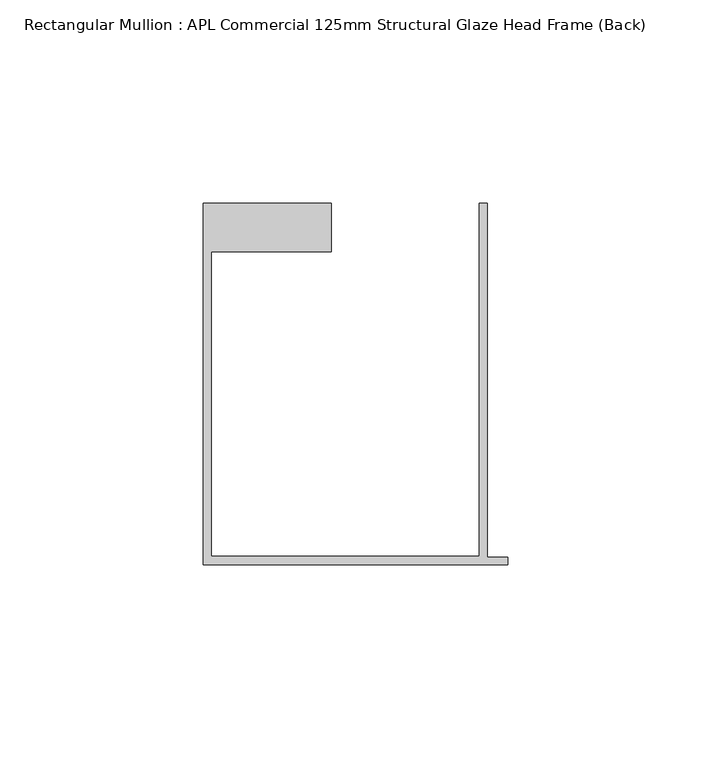
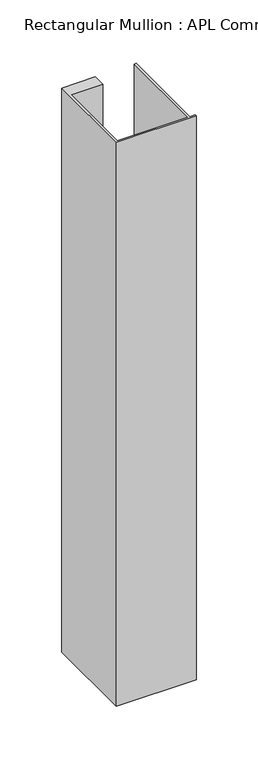
"""IFC4 building model written with IfcOpenShell, lengths in millimetres: member geometry, Rectangular Mullion : APL Commercial 125mm Structural Glaze Head Frame (Back)."""

import ifcopenshell
import ifcopenshell.guid

model = None  # the IFC model being written
_history = None  # IfcOwnerHistory: only IFC2X3 demands one
_inside = {}  # id of a spatial element -> (the spatial element, [elements in it])
_under = {}  # id of a project, library or spatial element -> (it, [spatial elements below it])
_declared = {}  # id of a project -> (the project, [libraries it declares])
_typed = {}  # id of a type object -> (the type object, [elements of that type])
_made_of = {}  # id of a material, layer set ... -> (it, [elements and type objects made of it])


def new_model(schema):
    """Start an empty IFC model of exactly this schema.

    Asked for "IFC4X3", IfcOpenShell would pick the latest addendum, in which some entities
    have other attributes; the version numbers below select the first issue.
    IFC2X3 requires an IfcOwnerHistory on every rooted entity: one is made here for all.
    """
    global model, _history
    if schema == "IFC4X3":
        model = ifcopenshell.file(schema_version=(4, 3, 0, 0))
    else:
        model = ifcopenshell.file(schema=schema)
    _inside.clear()
    _under.clear()
    _declared.clear()
    _typed.clear()
    _made_of.clear()
    _history = None
    if model.schema == "IFC2X3":
        org = make("IfcOrganization", Name="unknown")
        user = make(
            "IfcPersonAndOrganization",
            ThePerson=make("IfcPerson", FamilyName="unknown"),
            TheOrganization=org,
        )
        app = make(
            "IfcApplication",
            ApplicationDeveloper=org,
            Version="unknown",
            ApplicationFullName="unknown",
            ApplicationIdentifier="unknown",
        )
        _history = make(
            "IfcOwnerHistory",
            OwningUser=user,
            OwningApplication=app,
            ChangeAction="ADDED",
            CreationDate=0,
        )
    return model


def make(cls, **values):
    """One entity of the class cls with the attributes given. An attribute that is None is left unset."""
    return model.create_entity(
        cls, **{name: value for name, value in values.items() if value is not None}
    )


def rooted(cls, **values):
    """An entity with a GlobalId (a new one), such as an element, a storey or a relation."""
    return make(cls, GlobalId=ifcopenshell.guid.new(), OwnerHistory=_history, **values)


def si_unit(unit_type, name, prefix=None):
    """IfcSIUnit, for example si_unit("LENGTHUNIT", "METRE", prefix="MILLI")."""
    return make("IfcSIUnit", UnitType=unit_type, Prefix=prefix, Name=name)


def assignment(units):
    """IfcUnitAssignment: the units of a project."""
    return None if units is None else make("IfcUnitAssignment", Units=units)


def point(xyz):
    """IfcCartesianPoint."""
    return None if xyz is None else make("IfcCartesianPoint", Coordinates=xyz)


def direction(xyz):
    """IfcDirection."""
    return None if xyz is None else make("IfcDirection", DirectionRatios=xyz)


def frame(location, z_axis=None, x_axis=None):
    """IfcAxis2Placement3D, a coordinate frame: its origin and axes. An axis left out is left unset."""
    return make(
        "IfcAxis2Placement3D",
        Location=point(location),
        Axis=direction(z_axis),
        RefDirection=direction(x_axis),
    )


def origin():
    """The frame at (0, 0, 0) with its axes left unset."""
    return frame((0.0, 0.0, 0.0))


def place(relative_to, where):
    """IfcLocalPlacement: puts the frame where relative to a parent placement (None: the world)."""
    return make(
        "IfcLocalPlacement", PlacementRelTo=relative_to, RelativePlacement=where
    )


def context(
    kind, dimensions, precision=None, world=None, true_north=None, identifier=None
):
    """IfcGeometricRepresentationContext, for example the 3D "Model" context."""
    return make(
        "IfcGeometricRepresentationContext",
        ContextIdentifier=identifier,
        ContextType=kind,
        CoordinateSpaceDimension=dimensions,
        Precision=precision,
        WorldCoordinateSystem=world,
        TrueNorth=true_north,
    )


def project(units=None, contexts=None):
    """IfcProject with its units and contexts."""
    return rooted(
        "IfcProject",
        Name="project",
        RepresentationContexts=contexts,
        UnitsInContext=assignment(units),
    )


def spatial(cls, under=None, at=None, **own):
    """A site, building, storey or space (cls), placed at a placement, below another one or the project."""
    s = rooted(cls, ObjectPlacement=at, **own)
    if under is not None:
        _under.setdefault(under.id(), (under, []))[1].append(s)
    return s


def polyline(points):
    """IfcPolyline through the points."""
    return make("IfcPolyline", Points=[point(p) for p in points])


def outline(outer, holes=None, kind="AREA"):
    """IfcArbitraryClosedProfileDef: a profile drawn as a closed curve; with holes, ...WithVoids."""
    if holes is None:
        return make("IfcArbitraryClosedProfileDef", ProfileType=kind, OuterCurve=outer)
    return make(
        "IfcArbitraryProfileDefWithVoids",
        ProfileType=kind,
        OuterCurve=outer,
        InnerCurves=holes,
    )


def extrude(swept, where, along, depth):
    """IfcExtrudedAreaSolid: the profile swept, set in the frame where, extruded along a direction by depth."""
    return make(
        "IfcExtrudedAreaSolid",
        SweptArea=swept,
        Position=where,
        ExtrudedDirection=direction(along),
        Depth=depth,
    )


def shape(context_of_items, identifier, shape_type, items):
    """IfcShapeRepresentation: the items that make up one representation, for example the "Body"."""
    return make(
        "IfcShapeRepresentation",
        ContextOfItems=context_of_items,
        RepresentationIdentifier=identifier,
        RepresentationType=shape_type,
        Items=items,
    )


def source(mapping_origin, context_of_items, identifier, shape_type, items):
    """IfcRepresentationMap: a shape defined once, which mapped items show again and again."""
    return make(
        "IfcRepresentationMap",
        MappingOrigin=mapping_origin,
        MappedRepresentation=shape(context_of_items, identifier, shape_type, items),
    )


def transform(
    local_origin,
    x_axis=None,
    y_axis=None,
    z_axis=None,
    scale=None,
    scale2=None,
    scale3=None,
    uniform=True,
):
    """IfcCartesianTransformationOperator3D, or its non-uniform kind. x_axis, y_axis, z_axis: its Axis1, 2, 3."""
    if uniform:
        return make(
            "IfcCartesianTransformationOperator3D",
            Axis1=direction(x_axis),
            Axis2=direction(y_axis),
            LocalOrigin=point(local_origin),
            Scale=scale,
            Axis3=direction(z_axis),
        )
    return make(
        "IfcCartesianTransformationOperator3DnonUniform",
        Axis1=direction(x_axis),
        Axis2=direction(y_axis),
        LocalOrigin=point(local_origin),
        Scale=scale,
        Axis3=direction(z_axis),
        Scale2=scale2,
        Scale3=scale3,
    )


def mapped(mapping_source, mapping_target):
    """IfcMappedItem: shows the shape of a source again, moved by a transform."""
    return make(
        "IfcMappedItem", MappingSource=mapping_source, MappingTarget=mapping_target
    )


def made_of(thing, what):
    """Note that an element or type object is made of a material, layer set ...; save() writes the relation."""
    if what is not None:
        _made_of.setdefault(what.id(), (what, []))[1].append(thing)
    return thing


def element(
    cls,
    number,
    at=None,
    inside=None,
    cuts=None,
    type_object=None,
    material=None,
    context=None,
    identifier="Body",
    shape_type=None,
    held_by="IfcProductDefinitionShape",
    body=None,
    shapes=None,
    **own,
):
    """One element of the class cls, such as IfcWall. Its Tag is "e" and its number.

    at: its placement. inside: the storey or other place that contains it. cuts: it is an
    opening in that element (IfcRelVoidsElement). A single representation is given by context,
    identifier, shape_type and body (its items); several are given by shapes. held_by: the class
    of the entity that holds the representations. save() writes the other relations.
    """
    e = rooted(cls, Tag="e%d" % number, ObjectPlacement=at, **own)
    if body is not None:
        shapes = [shape(context, identifier, shape_type, body)]
    if shapes is not None:
        e.Representation = make(held_by, Representations=shapes)
    if inside is not None:
        _inside.setdefault(inside.id(), (inside, []))[1].append(e)
    if cuts is not None:
        rooted(
            "IfcRelVoidsElement", RelatingBuildingElement=cuts, RelatedOpeningElement=e
        )
    if type_object is not None:
        _typed.setdefault(type_object.id(), (type_object, []))[1].append(e)
    return made_of(e, material)


def aggregate(whole, parts):
    """IfcRelAggregates: a whole, such as a stair, and the parts it consists of."""
    return rooted("IfcRelAggregates", RelatingObject=whole, RelatedObjects=parts)


def save(model, path):
    """Write the relations noted so far, then the file.

    IfcRelAggregates (storeys below a building ...), IfcRelContainedInSpatialStructure (elements
    in a storey), IfcRelDefinesByType, IfcRelAssociatesMaterial and IfcRelDeclares: one each for
    every whole, place, type object, material and project.
    """
    for whole, parts in _under.values():
        aggregate(whole, parts)
    for where, things in _inside.values():
        rooted(
            "IfcRelContainedInSpatialStructure",
            RelatedElements=things,
            RelatingStructure=where,
        )
    for kind, things in _typed.values():
        rooted("IfcRelDefinesByType", RelatedObjects=things, RelatingType=kind)
    for what, things in _made_of.values():
        rooted("IfcRelAssociatesMaterial", RelatedObjects=things, RelatingMaterial=what)
    for by, libraries in _declared.values():
        rooted("IfcRelDeclares", RelatingContext=by, RelatedDefinitions=libraries)
    model.write(path)


def rectangular_mullion_apl_commercial_125mm_structural_glaze_db8260f3(model_context):
    return source(origin(), model_context, "Body", "SweptSolid", [
        extrude(outline(polyline([(-75.0, -103.9993063), (-75.0, -14.9998342), (-43.5000151, -14.9998342), (-43.5000151, -26.9997514), (-73.0, -26.9997514), (-73.0, -101.9993063), (-7.0, -101.9993063), (-7.0, -14.9998342), (-5.0, -14.9998342), (-5.0, -102.1993063), (0.0, -102.1993063), (0.0, -103.9993063), (-75.0, -103.9993063)])), frame((0.0, 0.0, -559.2000713), z_axis=(0.0, 0.0, 1.0), x_axis=(1.0, 0.0, 0.0)), (0.0, 0.0, 1.0), 559.2000713),
    ])


if __name__ == "__main__":
    model = new_model("IFC4")
    model_context = context("Model", 3, world=origin())
    ifc_project = project(units=[si_unit("LENGTHUNIT", "METRE", prefix="MILLI")], contexts=[model_context])
    site = spatial("IfcSite", under=ifc_project)
    building = spatial("IfcBuilding", under=site)
    placement = place(None, origin())
    rectangular_mullion_apl_commercial_125mm_structural_glaze_shape = rectangular_mullion_apl_commercial_125mm_structural_glaze_db8260f3(model_context)
    element("IfcMember", 1, ObjectType="Rectangular Mullion : APL Commercial 125mm Structural Glaze Head Frame (Back)", at=placement, inside=building, context=model_context, shape_type="MappedRepresentation", body=[
        mapped(rectangular_mullion_apl_commercial_125mm_structural_glaze_shape, transform((0.0, 0.0, 0.0), x_axis=(1.0, 0.0, 0.0), y_axis=(0.0, 1.0, 0.0), z_axis=(0.0, 0.0, 1.0))),
    ])
    save(model, "model.ifc")
